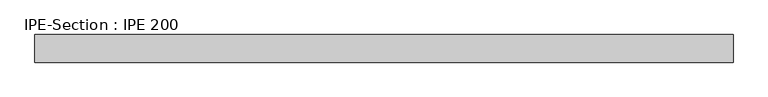
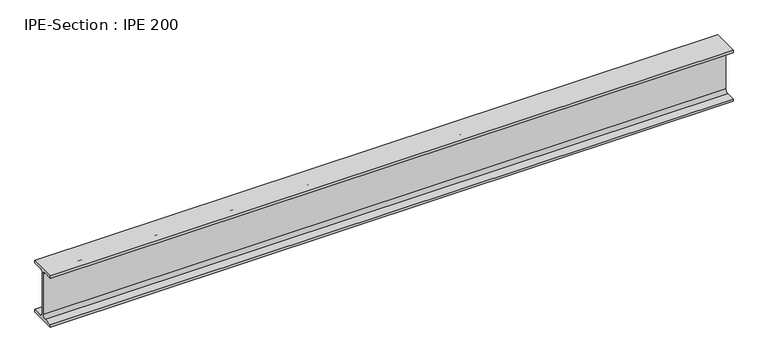
"""IFC4 building model written with IfcOpenShell, lengths in millimetres: beam geometry, IPE-Section : IPE 200."""

from ifc_helpers import new_model, si_unit, point, frame, frame_2d, origin, place, context, project, spatial, polyline, circle_curve, trimmed, segment, composite_curve, outline, extrude, source, transform, mapped, element, save


def ipe_section_ipe_200_1cfe6b7d(model_context):
    return source(origin(), model_context, "Body", "SweptSolid", [
        extrude(outline(composite_curve([segment(polyline([(50.0, -91.5), (50.0, -100.0), (-50.0, -100.0), (-50.0, -91.5), (-14.8, -91.5)]), True, "CONTINUOUS"), segment(trimmed(circle_curve(frame_2d((-14.8, -79.5)), 12.0), [point((-14.8, -91.5))], [point((-2.8, -79.5))], True, "CARTESIAN"), True, "CONTINUOUS"), segment(polyline([(-2.8, -79.5), (-2.8, 79.5)]), True, "CONTINUOUS"), segment(trimmed(circle_curve(frame_2d((-14.8, 79.5)), 12.0), [point((-2.8, 79.5))], [point((-14.8, 91.5))], True, "CARTESIAN"), True, "CONTINUOUS"), segment(polyline([(-14.8, 91.5), (-50.0, 91.5), (-50.0, 100.0), (50.0, 100.0), (50.0, 91.5), (14.8, 91.5)]), True, "CONTINUOUS"), segment(trimmed(circle_curve(frame_2d((14.8, 79.5)), 12.0), [point((14.8, 91.5))], [point((2.8, 79.5))], True, "CARTESIAN"), True, "CONTINUOUS"), segment(polyline([(2.8, 79.5), (2.8, -79.5)]), True, "CONTINUOUS"), segment(trimmed(circle_curve(frame_2d((14.8, -79.5)), 12.0), [point((2.8, -79.5))], [point((14.8, -91.5))], True, "CARTESIAN"), True, "CONTINUOUS"), segment(polyline([(14.8, -91.5), (50.0, -91.5)]), True, "CONTINUOUS")], self_intersect=False)), frame((-1245.4129762, 0.0, 0.0), z_axis=(1.0, 0.0, 0.0), x_axis=(0.0, 1.0, 0.0)), (0.0, 0.0, 1.0), 2527.9573882),
    ])


if __name__ == "__main__":
    model = new_model("IFC4")
    model_context = context("Model", 3, world=origin())
    ifc_project = project(units=[si_unit("LENGTHUNIT", "METRE", prefix="MILLI")], contexts=[model_context])
    site = spatial("IfcSite", under=ifc_project)
    building = spatial("IfcBuilding", under=site)
    placement = place(None, origin())
    ipe_section_ipe_200_shape = ipe_section_ipe_200_1cfe6b7d(model_context)
    element("IfcBeam", 1, ObjectType="IPE-Section : IPE 200", at=placement, inside=building, context=model_context, shape_type="MappedRepresentation", body=[
        mapped(ipe_section_ipe_200_shape, transform((0.0, 0.0, 0.0), x_axis=(1.0, 0.0, 0.0), y_axis=(0.0, 1.0, 0.0), z_axis=(0.0, 0.0, 1.0))),
    ])
    save(model, "model.ifc")
